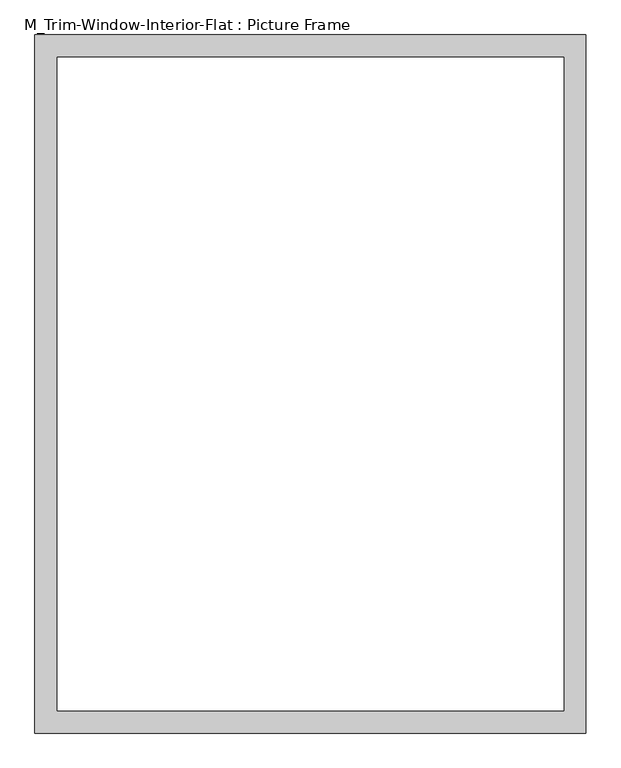
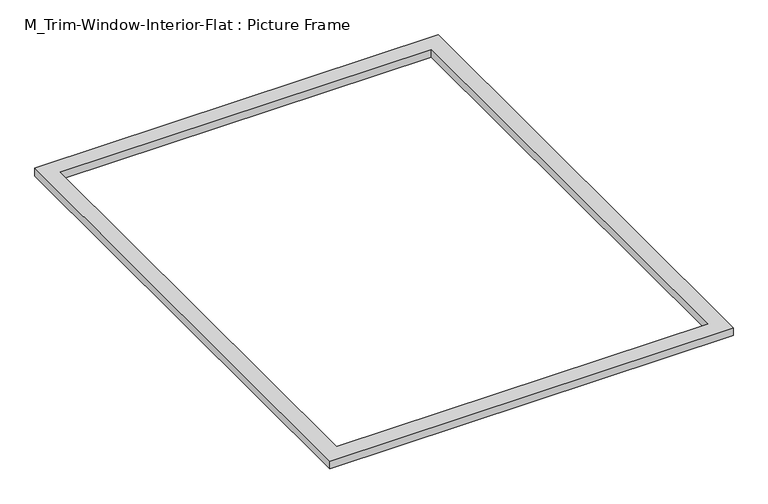
"""IFC4 building model written with IfcOpenShell, lengths in millimetres: proxy geometry, M_Trim-Window-Interior-Flat : Picture Frame."""

from ifc_helpers import new_model, si_unit, origin, origin_with_axes, place, context, project, spatial, polyline, outline, extrude, source, transform, mapped, element, save


def m_trim_window_interior_flat_picture_frame_896fcfd1(model_context):
    return source(origin(), model_context, "Body", "SweptSolid", [
        extrude(outline(polyline([(747.3, -47.3), (-747.3, -47.3), (-747.3, 1847.3), (747.3, 1847.3), (747.3, -47.3)]), holes=[polyline([(687.3, 12.7), (687.3, 1787.3), (-687.3, 1787.3), (-687.3, 12.7), (687.3, 12.7)])]), origin_with_axes(), (0.0, 0.0, 1.0), 30.0),
    ])


if __name__ == "__main__":
    model = new_model("IFC4")
    model_context = context("Model", 3, world=origin())
    ifc_project = project(units=[si_unit("LENGTHUNIT", "METRE", prefix="MILLI")], contexts=[model_context])
    site = spatial("IfcSite", under=ifc_project)
    building = spatial("IfcBuilding", under=site)
    placement = place(None, origin())
    m_trim_window_interior_flat_picture_frame_shape = m_trim_window_interior_flat_picture_frame_896fcfd1(model_context)
    element("IfcBuildingElementProxy", 1, Name="M_Trim-Window-Interior-Flat : Picture Frame", ObjectType="M_Trim-Window-Interior-Flat : Picture Frame", at=placement, inside=building, context=model_context, shape_type="MappedRepresentation", body=[
        mapped(m_trim_window_interior_flat_picture_frame_shape, transform((0.0, 0.0, 0.0), x_axis=(1.0, 0.0, 0.0), y_axis=(0.0, 1.0, 0.0), z_axis=(0.0, 0.0, 1.0))),
    ])
    save(model, "model.ifc")
